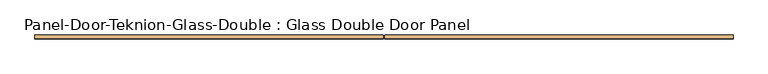
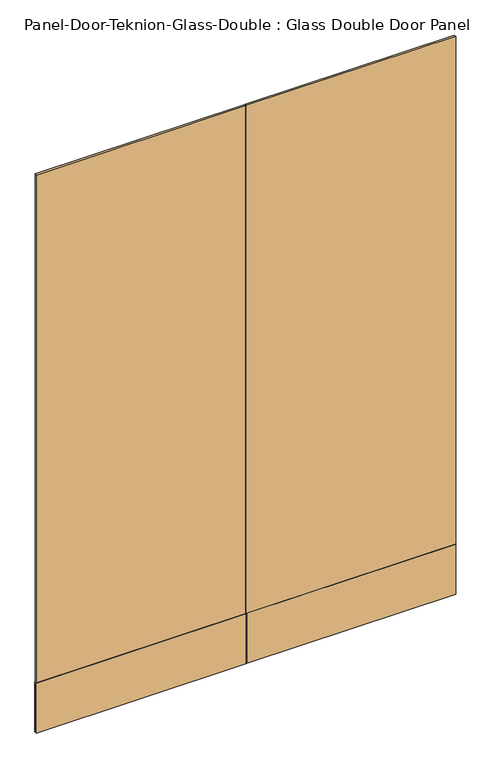
"""IFC4 building model written with IfcOpenShell, lengths in millimetres: door geometry, Panel-Door-Teknion-Glass-Double : Glass Double Door Panel."""

from ifc_helpers import new_model, si_unit, frame, origin, place, context, project, spatial, polyline, outline, extrude, source, transform, mapped, element, save


def panel_door_teknion_glass_double_glass_double_door_panel_a0bbf17d(model_context):
    return source(origin(), model_context, "Body", "SweptSolid", [
        extrude(outline(polyline([(22.86, -4.5085), (-980.5725562, -4.5085), (-980.5725562, 4.5085), (22.86, 4.5085), (22.86, -4.5085)])), frame((0.0, 0.0, 12.7), z_axis=(0.0, 0.0, 1.0), x_axis=(1.0, 0.0, 0.0)), (0.0, 0.0, 1.0), 2829.7886),
        extrude(outline(polyline([(27.94, 4.5085), (1031.3725563, 4.5085), (1031.3725563, -4.5085), (27.94, -4.5085), (27.94, 4.5085)])), frame((0.0, 0.0, 12.7), z_axis=(0.0, 0.0, 1.0), x_axis=(1.0, 0.0, 0.0)), (0.0, 0.0, 1.0), 2829.7886),
        extrude(outline(polyline([(22.86, -6.1087), (-980.5725562, -6.1087), (-980.5725562, -4.5085), (22.86, -4.5085), (22.86, -6.1087)])), frame((0.0, 0.0, 12.7), z_axis=(0.0, 0.0, 1.0), x_axis=(1.0, 0.0, 0.0)), (0.0, 0.0, 1.0), 254.0),
        extrude(outline(polyline([(22.86, 4.5085), (-980.5725562, 4.5085), (-980.5725562, 6.1087), (22.86, 6.1087), (22.86, 4.5085)])), frame((0.0, 0.0, 12.7), z_axis=(0.0, 0.0, 1.0), x_axis=(1.0, 0.0, 0.0)), (0.0, 0.0, 1.0), 254.0),
        extrude(outline(polyline([(1031.3725563, -6.1087), (27.94, -6.1087), (27.94, -4.5085), (1031.3725563, -4.5085), (1031.3725563, -6.1087)])), frame((0.0, 0.0, 12.7), z_axis=(0.0, 0.0, 1.0), x_axis=(1.0, 0.0, 0.0)), (0.0, 0.0, 1.0), 254.0),
        extrude(outline(polyline([(1031.3725563, 4.5085), (27.94, 4.5085), (27.94, 6.1087), (1031.3725563, 6.1087), (1031.3725563, 4.5085)])), frame((0.0, 0.0, 12.7), z_axis=(0.0, 0.0, 1.0), x_axis=(1.0, 0.0, 0.0)), (0.0, 0.0, 1.0), 254.0),
    ])


if __name__ == "__main__":
    model = new_model("IFC4")
    model_context = context("Model", 3, world=origin())
    ifc_project = project(units=[si_unit("LENGTHUNIT", "METRE", prefix="MILLI")], contexts=[model_context])
    site = spatial("IfcSite", under=ifc_project)
    building = spatial("IfcBuilding", under=site)
    placement = place(None, origin())
    panel_door_teknion_glass_double_glass_double_door_panel_shape = panel_door_teknion_glass_double_glass_double_door_panel_a0bbf17d(model_context)
    element("IfcDoor", 1, ObjectType="Panel-Door-Teknion-Glass-Double : Glass Double Door Panel", at=placement, inside=building, context=model_context, shape_type="MappedRepresentation", body=[
        mapped(panel_door_teknion_glass_double_glass_double_door_panel_shape, transform((0.0, 0.0, 0.0), x_axis=(1.0, 0.0, 0.0), y_axis=(0.0, 1.0, 0.0), z_axis=(0.0, 0.0, 1.0))),
    ])
    save(model, "model.ifc")
